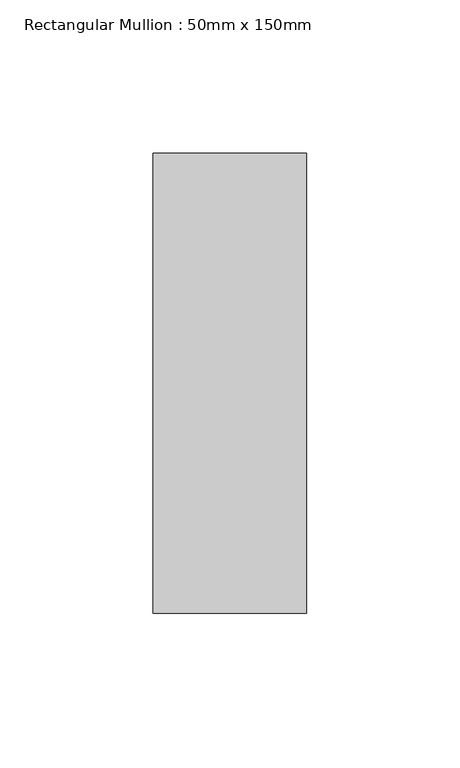
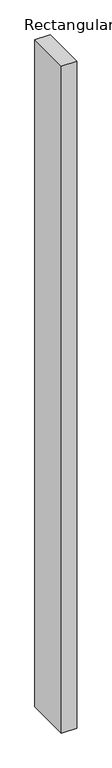
"""IFC4 building model written with IfcOpenShell, lengths in millimetres: member geometry, Rectangular Mullion : 50mm x 150mm."""

from ifc_helpers import new_model, si_unit, frame, origin, place, context, project, spatial, polyline, outline, extrude, source, transform, mapped, element, save


def rectangular_mullion_50mm_x_150mm_8753ce05(model_context):
    return source(origin(), model_context, "Body", "SweptSolid", [
        extrude(outline(polyline([(0.0, 75.0), (0.0, -75.0), (-50.0, -75.0), (-50.0, 75.0), (0.0, 75.0)])), frame((0.0, 0.0, -2300.0), z_axis=(0.0, 0.0, 1.0), x_axis=(1.0, 0.0, 0.0)), (0.0, 0.0, 1.0), 2300.0),
    ])


if __name__ == "__main__":
    model = new_model("IFC4")
    model_context = context("Model", 3, world=origin())
    ifc_project = project(units=[si_unit("LENGTHUNIT", "METRE", prefix="MILLI")], contexts=[model_context])
    site = spatial("IfcSite", under=ifc_project)
    building = spatial("IfcBuilding", under=site)
    placement = place(None, origin())
    rectangular_mullion_50mm_x_150mm_shape = rectangular_mullion_50mm_x_150mm_8753ce05(model_context)
    element("IfcMember", 1, ObjectType="Rectangular Mullion : 50mm x 150mm", at=placement, inside=building, context=model_context, shape_type="MappedRepresentation", body=[
        mapped(rectangular_mullion_50mm_x_150mm_shape, transform((0.0, 0.0, 0.0), x_axis=(1.0, 0.0, 0.0), y_axis=(0.0, 1.0, 0.0), z_axis=(0.0, 0.0, 1.0))),
    ])
    save(model, "model.ifc")
